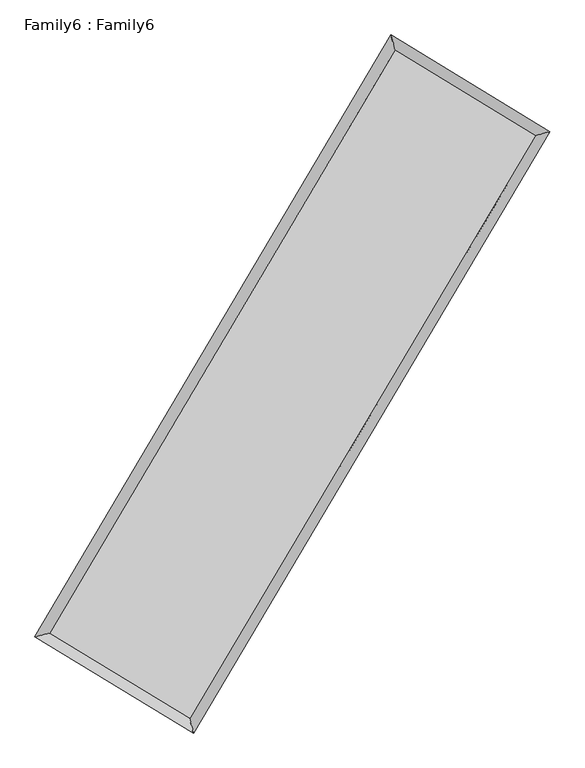
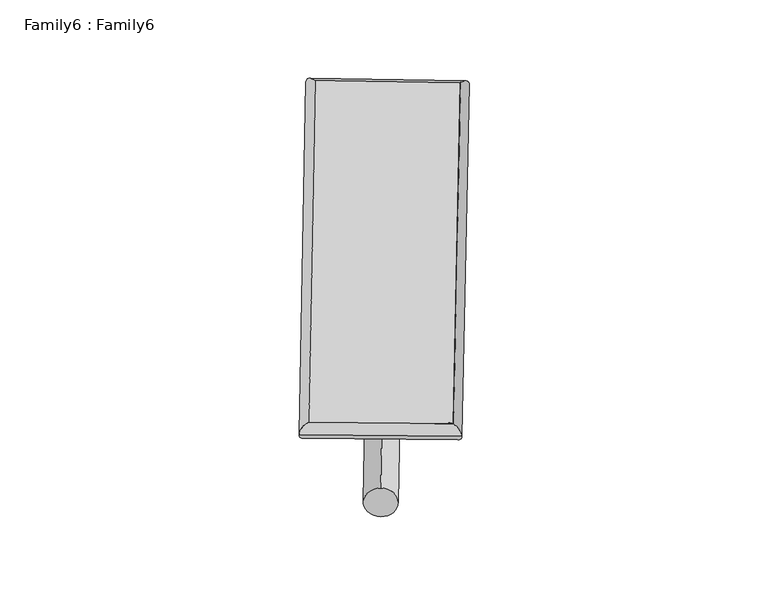
"""IFC4 building model written with IfcOpenShell, lengths in millimetres: plate geometry, Family6 : Family6."""

from ifc_helpers import new_model, si_unit, point, frame, origin, origin_2d, place, context, project, spatial, circle_curve, ellipse_curve, trimmed, segment, composite_curve, outline, extrude, source, transform, mapped, element, save
from ifc_brep_helpers import plane_surface, cylinder_surface, spline_surface, advanced_brep


def family6_family6_248c0e67(model_context):
    return source(origin(), model_context, "Body", "SolidModel", [
        extrude(outline(composite_curve([segment(trimmed(circle_curve(origin_2d(), 76.2), [point((-75.4341515, -10.7763073))], [point((75.4341515, 10.7763073))], False, "CARTESIAN"), True, "CONTINUOUS"), segment(trimmed(circle_curve(origin_2d(), 76.2), [point((75.4341515, 10.7763073))], [point((-75.4341515, -10.7763073))], False, "CARTESIAN"), True, "CONTINUOUS")], self_intersect=False)), frame((9144.0, 9144.0, 0.0), z_axis=(0.6736681815987996, 0.6867508565725216, 0.2730282807664344), x_axis=(-0.6788100511423732, 0.7210714203030778, -0.13882694727678366)), (0.0, 0.0, 1.0), 5560.5634611),
        extrude(outline(composite_curve([segment(trimmed(circle_curve(origin_2d(), 76.2), [point((-53.8815367, 53.8815367))], [point((53.8815367, -53.8815367))], False, "CARTESIAN"), True, "CONTINUOUS"), segment(trimmed(circle_curve(origin_2d(), 76.2), [point((53.8815367, -53.8815367))], [point((-53.8815367, 53.8815367))], False, "CARTESIAN"), True, "CONTINUOUS")], self_intersect=False)), frame((9144.0, 9144.0, 0.0), z_axis=(-0.673022717281649, -0.6873911139803162, 0.2730089347324107), x_axis=(0.6414911625700608, -0.35877884899701057, 0.6780610782642609)), (0.0, 0.0, 1.0), 5560.8816724),
        extrude(outline(composite_curve([segment(trimmed(circle_curve(origin_2d(), 76.2), [point((-53.8815367, -53.8815368))], [point((53.8815367, 53.8815368))], False, "CARTESIAN"), True, "CONTINUOUS"), segment(trimmed(circle_curve(origin_2d(), 76.2), [point((53.8815367, 53.8815368))], [point((-53.8815367, -53.8815368))], False, "CARTESIAN"), True, "CONTINUOUS")], self_intersect=False)), frame((9144.0, 9144.0, 0.0), z_axis=(0.28037310819660216, 0.920230705671588, 0.27306843197145214), x_axis=(-0.8386627600435314, 0.37322814730120063, -0.3966680286817674)), (0.0, 0.0, 1.0), 5591.0465078),
        extrude(outline(composite_curve([segment(trimmed(circle_curve(origin_2d(), 76.2), [point((-75.4341514, 10.7763073))], [point((75.4341514, -10.7763073))], False, "CARTESIAN"), True, "CONTINUOUS"), segment(trimmed(circle_curve(origin_2d(), 76.2), [point((75.4341514, -10.7763073))], [point((-75.4341514, 10.7763073))], False, "CARTESIAN"), True, "CONTINUOUS")], self_intersect=False)), frame((9144.0, 9144.0, 0.0), z_axis=(-0.28106369024429495, -0.9199614690451903, 0.27326561711725594), x_axis=(0.8765159474610817, -0.13012673706460784, 0.46345099648972665)), (0.0, 0.0, 1.0), 5586.8217948),
        advanced_brep(
        [(5193.425237, 5269.3806881, 1518.8528071), (5609.3778206, 5373.6214627, 1519.0320938), (5609.3753758, 5373.6180169, 1517.487956), (10764.1006735, 14078.6495926, 1525.8050547), (10659.0575014, 14499.4557539, 1527.6715512), (5193.4227922, 5269.3772423, 1517.3086693), (12682.015399, 12910.9141821, 1518.2798645), (13097.933952, 13014.5292578, 1518.1022993), (7521.2038051, 4214.4231193, 1526.5267367), (7626.2906941, 3794.2553094, 1526.8458742)],
        [
            (0, 1, ellipse_curve(frame((5401.4003064, 5321.4993525, 1518.1703815), z_axis=(-0.24308895545706663, 0.9700023672043269, -0.0017797058167599096), x_axis=(-0.9699983498642845, -0.2430933925737356, -0.0029671109782096663)), 214.4111778, 152.4)),
            (1, 2, ellipse_curve(frame((5401.4003064, 5321.4993525, 1518.1703815), z_axis=(-0.24308895545706663, 0.9700023672043269, -0.0017797058167599096), x_axis=(-0.9699983498642845, -0.2430933925737356, -0.0029671109782096663)), 214.4111778, 152.4)),
            (2, 3),
            (3, 4, ellipse_curve(frame((10711.5790875, 14289.0526733, 1526.738303), z_axis=(-0.970224908172203, -0.2421990697794696, 0.0017994888718385622), x_axis=(0.2421932991495835, -0.9702235839170293, -0.0029330970381742857)), 216.8615568, 152.4)),
            (4, 0),
            (2, 5, ellipse_curve(frame((5401.4003064, 5321.4993525, 1518.1703815), z_axis=(-0.24308895545706663, 0.9700023672043269, -0.0017797058167599096), x_axis=(-0.9699983498642845, -0.2430933925737356, -0.0029671109782096663)), 214.4111778, 152.4)),
            (5, 0, ellipse_curve(frame((5401.4003064, 5321.4993525, 1518.1703815), z_axis=(-0.24308895545706663, 0.9700023672043269, -0.0017797058167599096), x_axis=(-0.9699983498642845, -0.2430933925737356, -0.0029671109782096663)), 214.4111778, 152.4)),
            (4, 3, ellipse_curve(frame((10711.5790875, 14289.0526733, 1526.738303), z_axis=(-0.970224908172203, -0.2421990697794696, 0.0017994888718385622), x_axis=(0.2421932991495835, -0.9702235839170293, -0.0029330970381742857)), 216.8615568, 152.4)),
            (3, 6),
            (6, 7, ellipse_curve(frame((12889.9746755, 12962.72172, 1518.1910819), z_axis=(-0.241733944213184, 0.9703409303437702, 0.0017830072136771396), x_axis=(-0.9703369354573488, -0.2417383939075421, 0.002963207424832194)), 214.316078, 152.4)),
            (7, 4),
            (7, 6, ellipse_curve(frame((12889.9746755, 12962.72172, 1518.1910819), z_axis=(-0.241733944213184, 0.9703409303437702, 0.0017830072136771396), x_axis=(-0.9703369354573488, -0.2417383939075421, 0.002963207424832194)), 214.316078, 152.4)),
            (6, 8),
            (8, 9, ellipse_curve(frame((7573.7472496, 4004.3392143, 1526.6863055), z_axis=(0.9701161851248078, 0.24263416794682371, 0.0018021941189701933), x_axis=(-0.242628390305021, 0.9701148702041257, -0.0029330575900746933)), 216.5555741, 152.4)),
            (9, 7),
            (9, 8, ellipse_curve(frame((7573.7472496, 4004.3392143, 1526.6863055), z_axis=(0.9701161851248078, 0.24263416794682371, 0.0018021941189701933), x_axis=(-0.242628390305021, 0.9701148702041257, -0.0029330575900746933)), 216.5555741, 152.4)),
            (8, 1),
            (5, 9),
        ],
        [
            cylinder_surface(frame((5401.4003064, 5321.4993525, 1518.1703815), z_axis=(-0.509523325592839, -0.8604564514317363, -0.0008221108913900165), x_axis=(-0.8604469126336594, 0.5095126215458473, 0.005291410462428399)), 152.4),
            cylinder_surface(frame((10711.5790875, 14289.0526733, 1526.738303), z_axis=(-0.8541326233496249, 0.5200444505119615, 0.0033513014785099306), x_axis=(0.5200532489520787, 0.8541294749683829, 0.0027309786930309063)), 152.4),
            cylinder_surface(frame((12889.9746755, 12962.72172, 1518.1910819), z_axis=(0.510338975688768, 0.8599729442454609, -0.0008155113320706909), x_axis=(0.8599733018091205, -0.510338975688768, 0.0002237598235819353)), 152.4),
            cylinder_surface(frame((7573.7472496, 4004.3392143, 1526.6863055), z_axis=(0.855090727379278, -0.5184675606906332, 0.0033520831555990927), x_axis=(-0.5184623591448209, -0.8550972580390009, -0.0023369732923493158)), 152.4),
        ],
        [
            (0, [[1, 2, 3, 4, 5]]),
            (0, [[6, 7, -5, 8, -3]]),
            (1, [[-4, 9, 10, 11]]),
            (1, [[-8, -11, 12, -9]]),
            (2, [[-10, 13, 14, 15]]),
            (2, [[-12, -15, 16, -13]]),
            (3, [[-14, 17, -1, -7, 18]]),
            (3, [[-16, -18, -6, -2, -17]]),
        ],
    ),
        extrude(outline(composite_curve([segment(trimmed(circle_curve(origin_2d(), 304.8), [point((0.0, 304.8))], [point((-1e-07, -304.8))], False, "CARTESIAN"), True, "CONTINUOUS"), segment(trimmed(circle_curve(origin_2d(), 304.8), [point((-1e-07, -304.8))], [point((0.0, 304.8))], False, "CARTESIAN"), True, "CONTINUOUS")], self_intersect=False)), frame((11804.6020959, 13641.8937069, -8.24e-05), z_axis=(-0.5091201208524103, -0.8606954760792153, 1.577175784032912e-08), x_axis=(-0.8606954760792154, 0.5091201208524103, -4.315439770210665e-09)), (0.0, 0.0, 1.0), 10451.765652),
        advanced_brep(
        [(5401.4003064, 5321.4993525, 1518.1703815), (7573.7472496, 4004.3392143, 1526.6863055), (7573.7486177, 4004.3377526, 1679.0863055), (5401.4016745, 5321.4978908, 1670.5703815), (12889.9746755, 12962.72172, 1518.1910819), (12889.9760437, 12962.7202582, 1670.5910819), (10711.5790875, 14289.0526733, 1526.738303), (10711.5804556, 14289.0512115, 1679.1383029)],
        [
            (0, 1),
            (1, 2),
            (2, 3),
            (3, 0),
            (1, 4),
            (4, 5),
            (5, 2),
            (4, 6),
            (6, 7),
            (7, 5),
            (6, 0),
            (3, 7),
        ],
        [
            plane_surface(frame((6487.573778, 4662.9192834, 1522.4283435), z_axis=(-0.5184704634142808, -0.8550955376765788, -3.547356169882011e-06), x_axis=(0.8550907273792777, -0.5184675606906335, 0.003352083155599094))),
            plane_surface(frame((10231.8609626, 8483.5304672, 1522.4386937), z_axis=(0.8599732248931456, -0.5103391541982056, -1.261519575921163e-05), x_axis=(0.5103389756887676, 0.859972944245461, -0.0008155113320706905))),
            plane_surface(frame((11800.7768815, 13625.8871966, 1522.4646924), z_axis=(0.5200473809880007, 0.8541374137193047, 3.5240097881390244e-06), x_axis=(-0.8541326233496249, 0.5200444505119615, 0.0033513014785099314))),
            plane_surface(frame((8056.4896969, 9805.2760129, 1522.4543422), z_axis=(-0.8604567474230774, 0.5095234888158183, 1.261171288004958e-05), x_axis=(-0.5095233255928387, -0.8604564514317367, -0.0008221108913900164))),
            spline_surface(1, 1, [[(7573.7486177, 4004.3377526, 1679.0863055), (5401.4016745, 5321.4978908, 1670.5703815)], [(12889.9760437, 12962.7202582, 1670.5910819), (10711.5804556, 14289.0512115, 1679.1383029)]], [2, 2], [2, 2], [0.0, 1.0], [0.0, 1.0]),
            spline_surface(1, 1, [[(10711.5790875, 14289.0526733, 1526.738303), (5401.4003064, 5321.4993525, 1518.1703815)], [(12889.9746755, 12962.72172, 1518.1910819), (7573.7472496, 4004.3392143, 1526.6863055)]], [2, 2], [2, 2], [0.0, 1.0], [0.0, 1.0]),
        ],
        [
            (0, [[1, 2, 3, 4]]),
            (1, [[5, 6, 7, -2]]),
            (2, [[8, 9, 10, -6]]),
            (3, [[11, -4, 12, -9]]),
            (4, [[-3, -7, -10, -12]]),
            (5, [[-11, -8, -5, -1]]),
        ],
    ),
    ])


if __name__ == "__main__":
    model = new_model("IFC4")
    model_context = context("Model", 3, world=origin())
    ifc_project = project(units=[si_unit("LENGTHUNIT", "METRE", prefix="MILLI")], contexts=[model_context])
    site = spatial("IfcSite", under=ifc_project)
    building = spatial("IfcBuilding", under=site)
    placement = place(None, origin())
    family6_family6_shape = family6_family6_248c0e67(model_context)
    element("IfcPlate", 1, ObjectType="Family6 : Family6", at=placement, inside=building, context=model_context, shape_type="MappedRepresentation", body=[
        mapped(family6_family6_shape, transform((0.0, 0.0, 0.0), x_axis=(1.0, 0.0, 0.0), y_axis=(0.0, 1.0, 0.0), z_axis=(0.0, 0.0, 1.0))),
    ])
    save(model, "model.ifc")
